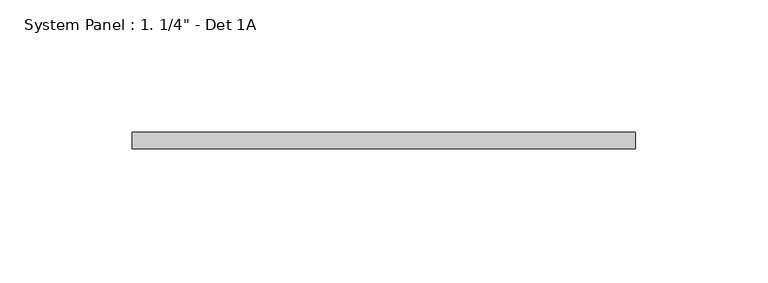
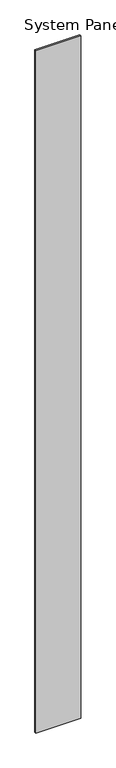
"""IFC4 building model written with IfcOpenShell, lengths in millimetres: plate geometry."""

from ifc_helpers import new_model, si_unit, origin, origin_with_axes, place, context, project, spatial, polyline, outline, extrude, source, transform, mapped, element, save


def plate_f30e2478(model_context):
    return source(origin(), model_context, "Body", "SweptSolid", [
        extrude(outline(polyline([(95.25, -6.35), (-95.25, -6.35), (-95.25, 0.0), (95.25, 0.0), (95.25, -6.35)])), origin_with_axes(), (0.0, 0.0, 1.0), 3048.0),
    ])


if __name__ == "__main__":
    model = new_model("IFC4")
    model_context = context("Model", 3, world=origin())
    ifc_project = project(units=[si_unit("LENGTHUNIT", "METRE", prefix="MILLI")], contexts=[model_context])
    site = spatial("IfcSite", under=ifc_project)
    building = spatial("IfcBuilding", under=site)
    placement = place(None, origin())
    plate_shape = plate_f30e2478(model_context)
    element("IfcPlate", 1, ObjectType="System Panel : 1. 1/4\" - Det 1A", at=placement, inside=building, context=model_context, shape_type="MappedRepresentation", body=[
        mapped(plate_shape, transform((0.0, 0.0, 0.0), x_axis=(1.0, 0.0, 0.0), y_axis=(0.0, 1.0, 0.0), z_axis=(0.0, 0.0, 1.0))),
    ])
    save(model, "model.ifc")
